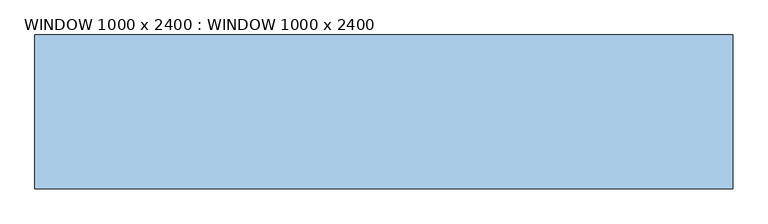
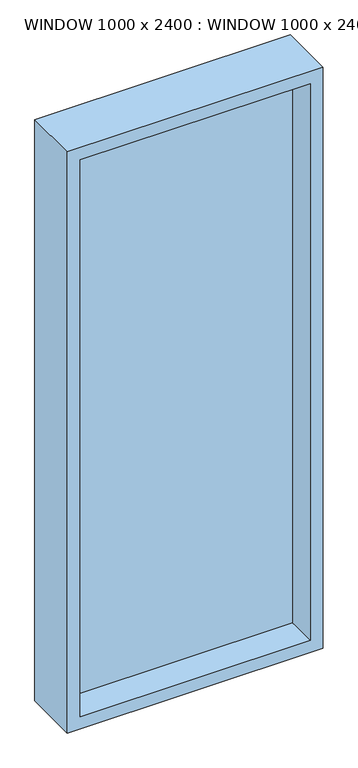
"""IFC4 building model written with IfcOpenShell, lengths in millimetres: window geometry, WINDOW 1000 x 2400 : WINDOW 1000 x 2400."""

from ifc_helpers import new_model, si_unit, frame, origin, place, context, project, spatial, polyline, outline, extrude, source, transform, mapped, element, save


def window_1000_x_2400_window_1000_x_2400_54127c9f(model_context):
    return source(origin(), model_context, "Body", "SweptSolid", [
        extrude(outline(polyline([(450.0, 20.0), (450.0, 10.0), (-450.0, 10.0), (-450.0, 20.0), (450.0, 20.0)])), frame((0.0, 0.0, 350.0), z_axis=(0.0, 0.0, 1.0), x_axis=(1.0, 0.0, 0.0)), (0.0, 0.0, 1.0), 2300.0),
        extrude(outline(polyline([(2700.0, -500.0), (300.0, -500.0), (300.0, 500.0), (2700.0, 500.0), (2700.0, -500.0)]), holes=[polyline([(2650.0, -450.0), (2650.0, 450.0), (350.0, 450.0), (350.0, -450.0), (2650.0, -450.0)])]), frame((0.0, -110.0, 0.0), z_axis=(0.0, 1.0, 0.0), x_axis=(0.0, 0.0, 1.0)), (0.0, 0.0, 1.0), 220.0),
    ])


if __name__ == "__main__":
    model = new_model("IFC4")
    model_context = context("Model", 3, world=origin())
    ifc_project = project(units=[si_unit("LENGTHUNIT", "METRE", prefix="MILLI")], contexts=[model_context])
    site = spatial("IfcSite", under=ifc_project)
    building = spatial("IfcBuilding", under=site)
    placement = place(None, origin())
    window_1000_x_2400_window_1000_x_2400_shape = window_1000_x_2400_window_1000_x_2400_54127c9f(model_context)
    element("IfcWindow", 1, ObjectType="WINDOW 1000 x 2400 : WINDOW 1000 x 2400", at=placement, inside=building, context=model_context, shape_type="MappedRepresentation", body=[
        mapped(window_1000_x_2400_window_1000_x_2400_shape, transform((0.0, 0.0, 0.0), x_axis=(1.0, 0.0, 0.0), y_axis=(0.0, 1.0, 0.0), z_axis=(0.0, 0.0, 1.0))),
    ])
    save(model, "model.ifc")
